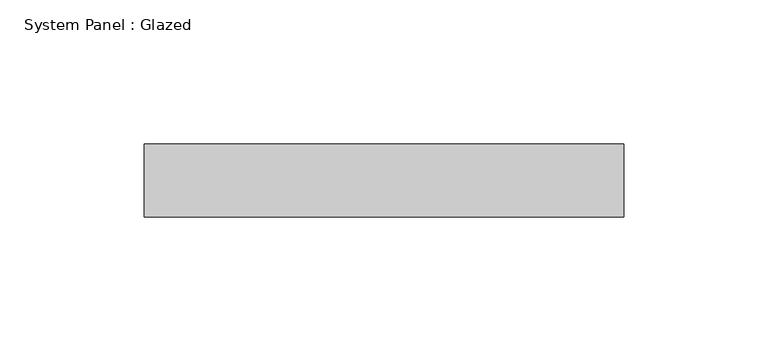
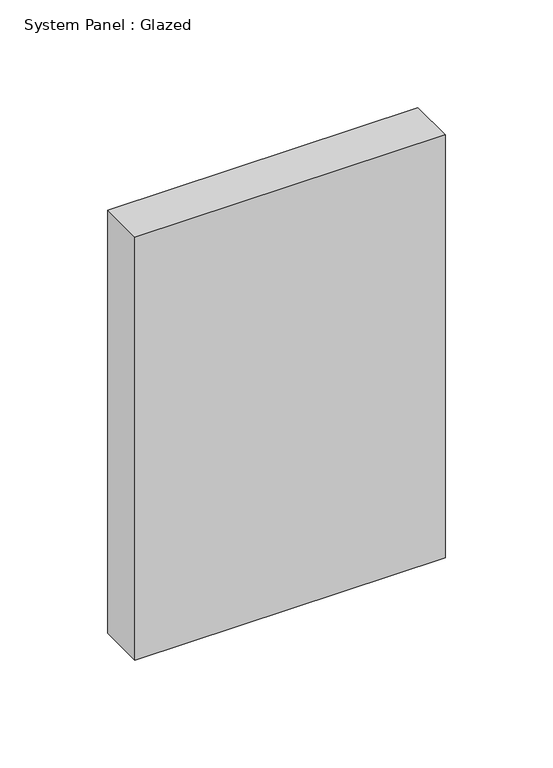
"""IFC4 building model written with IfcOpenShell, lengths in millimetres: plate geometry, System Panel : Glazed."""

import ifcopenshell
import ifcopenshell.guid

model = None  # the IFC model being written
_history = None  # IfcOwnerHistory: only IFC2X3 demands one
_inside = {}  # id of a spatial element -> (the spatial element, [elements in it])
_under = {}  # id of a project, library or spatial element -> (it, [spatial elements below it])
_declared = {}  # id of a project -> (the project, [libraries it declares])
_typed = {}  # id of a type object -> (the type object, [elements of that type])
_made_of = {}  # id of a material, layer set ... -> (it, [elements and type objects made of it])


def new_model(schema):
    """Start an empty IFC model of exactly this schema.

    Asked for "IFC4X3", IfcOpenShell would pick the latest addendum, in which some entities
    have other attributes; the version numbers below select the first issue.
    IFC2X3 requires an IfcOwnerHistory on every rooted entity: one is made here for all.
    """
    global model, _history
    if schema == "IFC4X3":
        model = ifcopenshell.file(schema_version=(4, 3, 0, 0))
    else:
        model = ifcopenshell.file(schema=schema)
    _inside.clear()
    _under.clear()
    _declared.clear()
    _typed.clear()
    _made_of.clear()
    _history = None
    if model.schema == "IFC2X3":
        org = make("IfcOrganization", Name="unknown")
        user = make(
            "IfcPersonAndOrganization",
            ThePerson=make("IfcPerson", FamilyName="unknown"),
            TheOrganization=org,
        )
        app = make(
            "IfcApplication",
            ApplicationDeveloper=org,
            Version="unknown",
            ApplicationFullName="unknown",
            ApplicationIdentifier="unknown",
        )
        _history = make(
            "IfcOwnerHistory",
            OwningUser=user,
            OwningApplication=app,
            ChangeAction="ADDED",
            CreationDate=0,
        )
    return model


def make(cls, **values):
    """One entity of the class cls with the attributes given. An attribute that is None is left unset."""
    return model.create_entity(
        cls, **{name: value for name, value in values.items() if value is not None}
    )


def rooted(cls, **values):
    """An entity with a GlobalId (a new one), such as an element, a storey or a relation."""
    return make(cls, GlobalId=ifcopenshell.guid.new(), OwnerHistory=_history, **values)


def si_unit(unit_type, name, prefix=None):
    """IfcSIUnit, for example si_unit("LENGTHUNIT", "METRE", prefix="MILLI")."""
    return make("IfcSIUnit", UnitType=unit_type, Prefix=prefix, Name=name)


def assignment(units):
    """IfcUnitAssignment: the units of a project."""
    return None if units is None else make("IfcUnitAssignment", Units=units)


def point(xyz):
    """IfcCartesianPoint."""
    return None if xyz is None else make("IfcCartesianPoint", Coordinates=xyz)


def direction(xyz):
    """IfcDirection."""
    return None if xyz is None else make("IfcDirection", DirectionRatios=xyz)


def frame(location, z_axis=None, x_axis=None):
    """IfcAxis2Placement3D, a coordinate frame: its origin and axes. An axis left out is left unset."""
    return make(
        "IfcAxis2Placement3D",
        Location=point(location),
        Axis=direction(z_axis),
        RefDirection=direction(x_axis),
    )


def origin():
    """The frame at (0, 0, 0) with its axes left unset."""
    return frame((0.0, 0.0, 0.0))


def origin_with_axes():
    """The frame at (0, 0, 0) with the z axis (0, 0, 1) and the x axis (1, 0, 0) written out."""
    return frame((0.0, 0.0, 0.0), z_axis=(0.0, 0.0, 1.0), x_axis=(1.0, 0.0, 0.0))


def place(relative_to, where):
    """IfcLocalPlacement: puts the frame where relative to a parent placement (None: the world)."""
    return make(
        "IfcLocalPlacement", PlacementRelTo=relative_to, RelativePlacement=where
    )


def context(
    kind, dimensions, precision=None, world=None, true_north=None, identifier=None
):
    """IfcGeometricRepresentationContext, for example the 3D "Model" context."""
    return make(
        "IfcGeometricRepresentationContext",
        ContextIdentifier=identifier,
        ContextType=kind,
        CoordinateSpaceDimension=dimensions,
        Precision=precision,
        WorldCoordinateSystem=world,
        TrueNorth=true_north,
    )


def project(units=None, contexts=None):
    """IfcProject with its units and contexts."""
    return rooted(
        "IfcProject",
        Name="project",
        RepresentationContexts=contexts,
        UnitsInContext=assignment(units),
    )


def spatial(cls, under=None, at=None, **own):
    """A site, building, storey or space (cls), placed at a placement, below another one or the project."""
    s = rooted(cls, ObjectPlacement=at, **own)
    if under is not None:
        _under.setdefault(under.id(), (under, []))[1].append(s)
    return s


def polyline(points):
    """IfcPolyline through the points."""
    return make("IfcPolyline", Points=[point(p) for p in points])


def outline(outer, holes=None, kind="AREA"):
    """IfcArbitraryClosedProfileDef: a profile drawn as a closed curve; with holes, ...WithVoids."""
    if holes is None:
        return make("IfcArbitraryClosedProfileDef", ProfileType=kind, OuterCurve=outer)
    return make(
        "IfcArbitraryProfileDefWithVoids",
        ProfileType=kind,
        OuterCurve=outer,
        InnerCurves=holes,
    )


def extrude(swept, where, along, depth):
    """IfcExtrudedAreaSolid: the profile swept, set in the frame where, extruded along a direction by depth."""
    return make(
        "IfcExtrudedAreaSolid",
        SweptArea=swept,
        Position=where,
        ExtrudedDirection=direction(along),
        Depth=depth,
    )


def shape(context_of_items, identifier, shape_type, items):
    """IfcShapeRepresentation: the items that make up one representation, for example the "Body"."""
    return make(
        "IfcShapeRepresentation",
        ContextOfItems=context_of_items,
        RepresentationIdentifier=identifier,
        RepresentationType=shape_type,
        Items=items,
    )


def source(mapping_origin, context_of_items, identifier, shape_type, items):
    """IfcRepresentationMap: a shape defined once, which mapped items show again and again."""
    return make(
        "IfcRepresentationMap",
        MappingOrigin=mapping_origin,
        MappedRepresentation=shape(context_of_items, identifier, shape_type, items),
    )


def transform(
    local_origin,
    x_axis=None,
    y_axis=None,
    z_axis=None,
    scale=None,
    scale2=None,
    scale3=None,
    uniform=True,
):
    """IfcCartesianTransformationOperator3D, or its non-uniform kind. x_axis, y_axis, z_axis: its Axis1, 2, 3."""
    if uniform:
        return make(
            "IfcCartesianTransformationOperator3D",
            Axis1=direction(x_axis),
            Axis2=direction(y_axis),
            LocalOrigin=point(local_origin),
            Scale=scale,
            Axis3=direction(z_axis),
        )
    return make(
        "IfcCartesianTransformationOperator3DnonUniform",
        Axis1=direction(x_axis),
        Axis2=direction(y_axis),
        LocalOrigin=point(local_origin),
        Scale=scale,
        Axis3=direction(z_axis),
        Scale2=scale2,
        Scale3=scale3,
    )


def mapped(mapping_source, mapping_target):
    """IfcMappedItem: shows the shape of a source again, moved by a transform."""
    return make(
        "IfcMappedItem", MappingSource=mapping_source, MappingTarget=mapping_target
    )


def made_of(thing, what):
    """Note that an element or type object is made of a material, layer set ...; save() writes the relation."""
    if what is not None:
        _made_of.setdefault(what.id(), (what, []))[1].append(thing)
    return thing


def element(
    cls,
    number,
    at=None,
    inside=None,
    cuts=None,
    type_object=None,
    material=None,
    context=None,
    identifier="Body",
    shape_type=None,
    held_by="IfcProductDefinitionShape",
    body=None,
    shapes=None,
    **own,
):
    """One element of the class cls, such as IfcWall. Its Tag is "e" and its number.

    at: its placement. inside: the storey or other place that contains it. cuts: it is an
    opening in that element (IfcRelVoidsElement). A single representation is given by context,
    identifier, shape_type and body (its items); several are given by shapes. held_by: the class
    of the entity that holds the representations. save() writes the other relations.
    """
    e = rooted(cls, Tag="e%d" % number, ObjectPlacement=at, **own)
    if body is not None:
        shapes = [shape(context, identifier, shape_type, body)]
    if shapes is not None:
        e.Representation = make(held_by, Representations=shapes)
    if inside is not None:
        _inside.setdefault(inside.id(), (inside, []))[1].append(e)
    if cuts is not None:
        rooted(
            "IfcRelVoidsElement", RelatingBuildingElement=cuts, RelatedOpeningElement=e
        )
    if type_object is not None:
        _typed.setdefault(type_object.id(), (type_object, []))[1].append(e)
    return made_of(e, material)


def aggregate(whole, parts):
    """IfcRelAggregates: a whole, such as a stair, and the parts it consists of."""
    return rooted("IfcRelAggregates", RelatingObject=whole, RelatedObjects=parts)


def save(model, path):
    """Write the relations noted so far, then the file.

    IfcRelAggregates (storeys below a building ...), IfcRelContainedInSpatialStructure (elements
    in a storey), IfcRelDefinesByType, IfcRelAssociatesMaterial and IfcRelDeclares: one each for
    every whole, place, type object, material and project.
    """
    for whole, parts in _under.values():
        aggregate(whole, parts)
    for where, things in _inside.values():
        rooted(
            "IfcRelContainedInSpatialStructure",
            RelatedElements=things,
            RelatingStructure=where,
        )
    for kind, things in _typed.values():
        rooted("IfcRelDefinesByType", RelatedObjects=things, RelatingType=kind)
    for what, things in _made_of.values():
        rooted("IfcRelAssociatesMaterial", RelatedObjects=things, RelatingMaterial=what)
    for by, libraries in _declared.values():
        rooted("IfcRelDeclares", RelatingContext=by, RelatedDefinitions=libraries)
    model.write(path)


def system_panel_glazed_3e05323c(model_context):
    return source(origin(), model_context, "Body", "SweptSolid", [
        extrude(outline(polyline([(83.25, -44.45), (-83.25, -44.45), (-83.25, -19.05), (83.25, -19.05), (83.25, -44.45)])), origin_with_axes(), (0.0, 0.0, 1.0), 240.0),
    ])


if __name__ == "__main__":
    model = new_model("IFC4")
    model_context = context("Model", 3, world=origin())
    ifc_project = project(units=[si_unit("LENGTHUNIT", "METRE", prefix="MILLI")], contexts=[model_context])
    site = spatial("IfcSite", under=ifc_project)
    building = spatial("IfcBuilding", under=site)
    placement = place(None, origin())
    system_panel_glazed_shape = system_panel_glazed_3e05323c(model_context)
    element("IfcPlate", 1, ObjectType="System Panel : Glazed", at=placement, inside=building, context=model_context, shape_type="MappedRepresentation", body=[
        mapped(system_panel_glazed_shape, transform((0.0, 0.0, 0.0), x_axis=(1.0, 0.0, 0.0), y_axis=(0.0, 1.0, 0.0), z_axis=(0.0, 0.0, 1.0))),
    ])
    save(model, "model.ifc")
